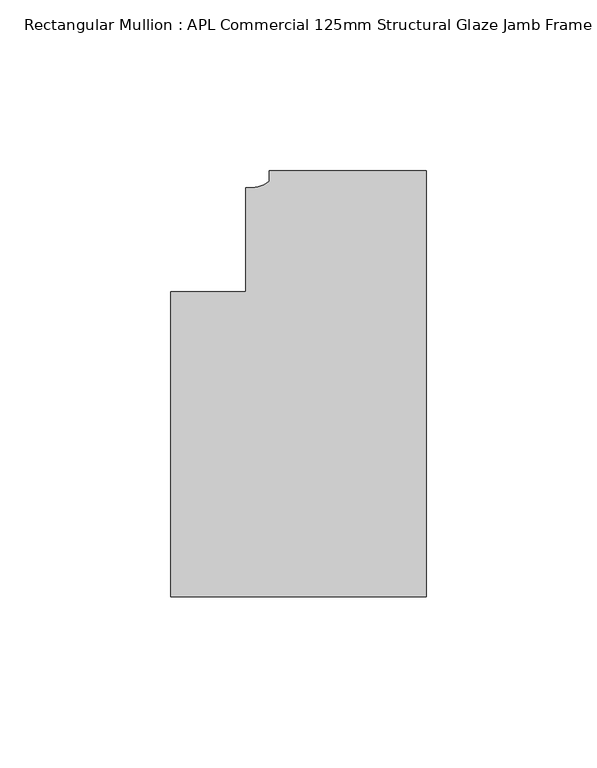
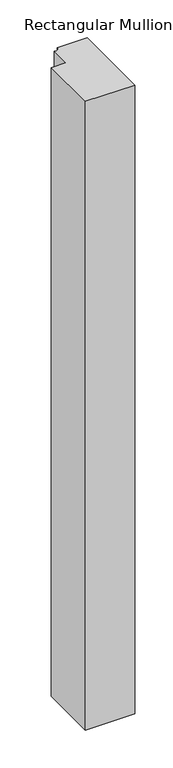
"""IFC4 building model written with IfcOpenShell, lengths in millimetres: member geometry, Rectangular Mullion : APL Commercial 125mm Structural Glaze Jamb Frame (left)."""

from ifc_helpers import new_model, si_unit, point, frame, frame_2d, origin, place, context, project, spatial, polyline, circle_curve, trimmed, segment, composite_curve, outline, extrude, source, transform, mapped, element, save


def rectangular_mullion_apl_commercial_125mm_structural_glaze_e082a11a(model_context):
    return source(origin(), model_context, "Body", "SweptSolid", [
        extrude(outline(composite_curve([segment(polyline([(0.0, 20.5), (0.0, -104.5), (-75.0, -104.5), (-75.0, -15.0000829), (-52.9999391, -15.0000829), (-52.9999391, 15.3797475)]), True, "CONTINUOUS"), segment(trimmed(circle_curve(frame_2d((-52.1098019, 25.7981812)), 10.4563907), [point((-52.9999391, 15.3797475))], [point((-45.9999842, 17.3125325))], True, "CARTESIAN"), True, "CONTINUOUS"), segment(polyline([(-45.9999842, 17.3125325), (-45.9999842, 20.5), (0.0, 20.5)]), True, "CONTINUOUS")], self_intersect=False)), frame((0.0, 0.0, -1010.8287902), z_axis=(0.0, 0.0, 1.0), x_axis=(1.0, 0.0, 0.0)), (0.0, 0.0, 1.0), 1010.8287902),
    ])


if __name__ == "__main__":
    model = new_model("IFC4")
    model_context = context("Model", 3, world=origin())
    ifc_project = project(units=[si_unit("LENGTHUNIT", "METRE", prefix="MILLI")], contexts=[model_context])
    site = spatial("IfcSite", under=ifc_project)
    building = spatial("IfcBuilding", under=site)
    placement = place(None, origin())
    rectangular_mullion_apl_commercial_125mm_structural_glaze_shape = rectangular_mullion_apl_commercial_125mm_structural_glaze_e082a11a(model_context)
    element("IfcMember", 1, ObjectType="Rectangular Mullion : APL Commercial 125mm Structural Glaze Jamb Frame (left)", at=placement, inside=building, context=model_context, shape_type="MappedRepresentation", body=[
        mapped(rectangular_mullion_apl_commercial_125mm_structural_glaze_shape, transform((0.0, 0.0, 0.0), x_axis=(1.0, 0.0, 0.0), y_axis=(0.0, 1.0, 0.0), z_axis=(0.0, 0.0, 1.0))),
    ])
    save(model, "model.ifc")
